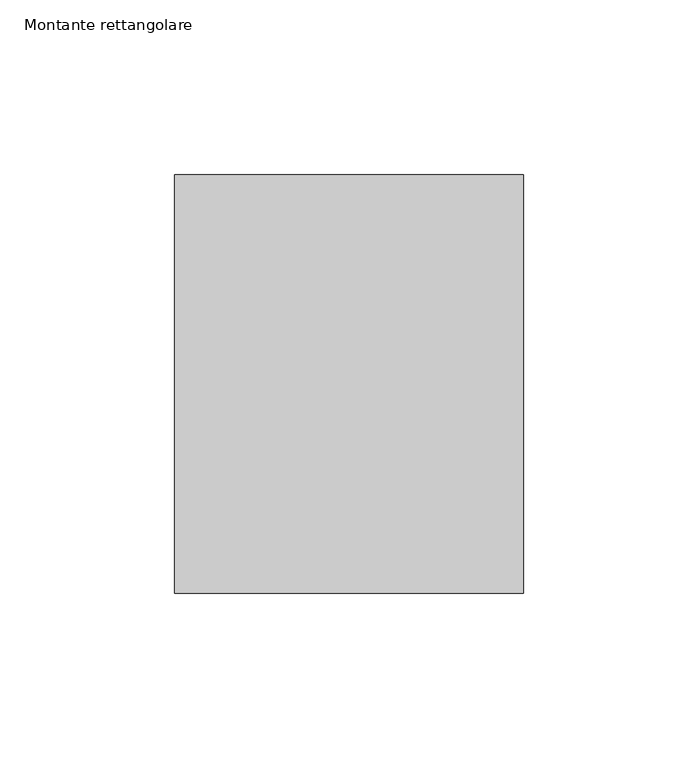
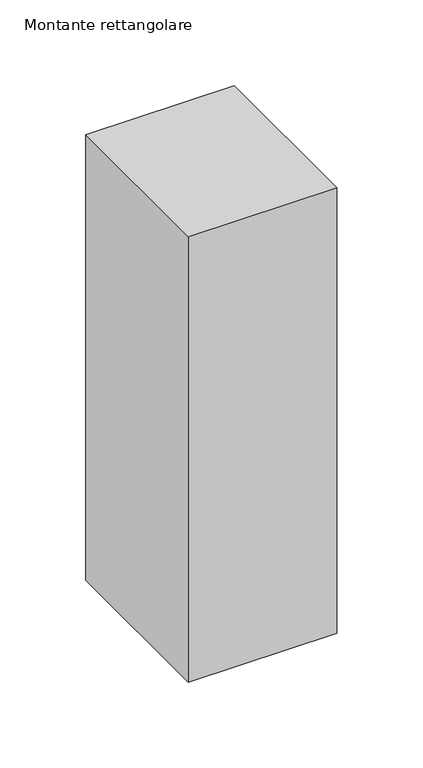
"""IFC4 building model written with IfcOpenShell, lengths in millimetres: member geometry, Montante rettangolare."""

from ifc_helpers import new_model, si_unit, frame, origin, place, context, project, spatial, polyline, outline, extrude, source, transform, mapped, element, save


def montante_rettangolare_ba323722(model_context):
    return source(origin(), model_context, "Body", "SweptSolid", [
        extrude(outline(polyline([(50.0, 60.0), (50.0, -60.0), (-50.0, -60.0), (-50.0, 60.0), (50.0, 60.0)])), frame((0.0, 0.0, -317.3480652), z_axis=(0.0, 0.0, 1.0), x_axis=(1.0, 0.0, 0.0)), (0.0, 0.0, 1.0), 317.3480652),
    ])


if __name__ == "__main__":
    model = new_model("IFC4")
    model_context = context("Model", 3, world=origin())
    ifc_project = project(units=[si_unit("LENGTHUNIT", "METRE", prefix="MILLI")], contexts=[model_context])
    site = spatial("IfcSite", under=ifc_project)
    building = spatial("IfcBuilding", under=site)
    placement = place(None, origin())
    montante_rettangolare_shape = montante_rettangolare_ba323722(model_context)
    element("IfcMember", 1, ObjectType="Montante rettangolare", at=placement, inside=building, context=model_context, shape_type="MappedRepresentation", body=[
        mapped(montante_rettangolare_shape, transform((0.0, 0.0, 0.0), x_axis=(1.0, 0.0, 0.0), y_axis=(0.0, 1.0, 0.0), z_axis=(0.0, 0.0, 1.0))),
    ])
    save(model, "model.ifc")
